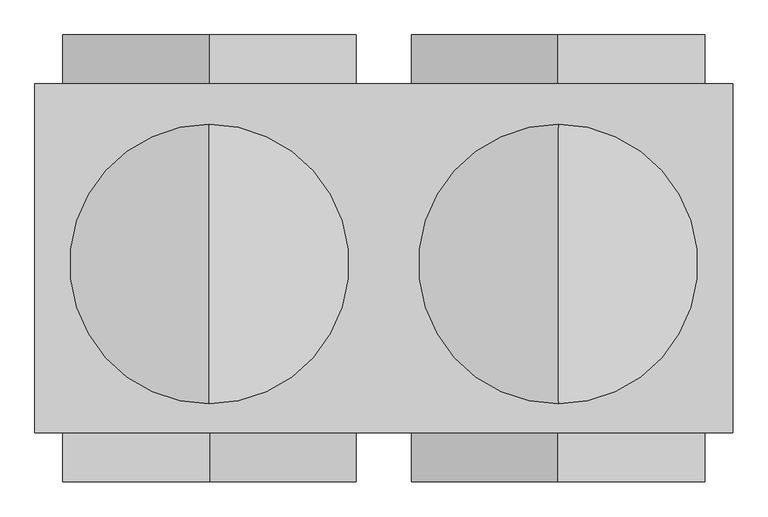
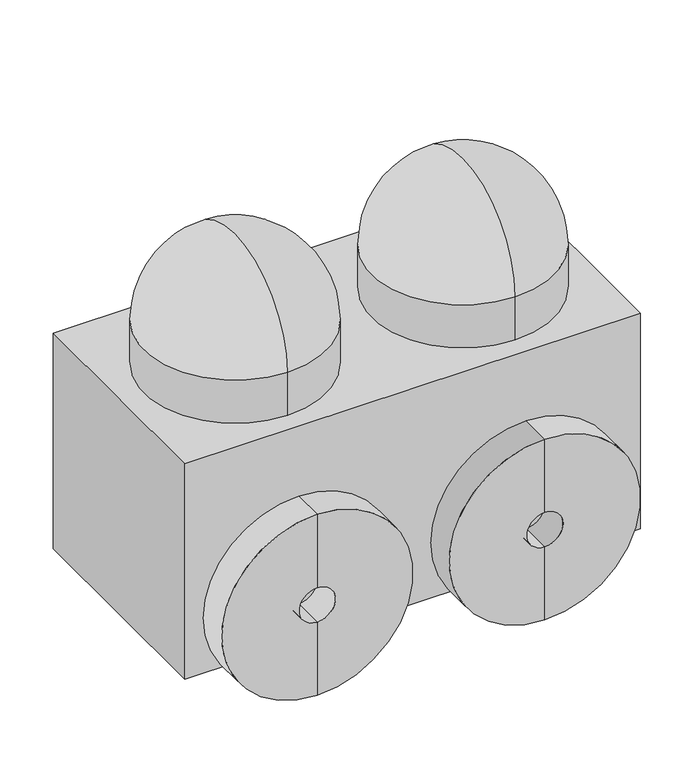
"""IFC4 building model written with IfcOpenShell, lengths in millimetres: proxy geometry."""

from ifc_helpers import new_model, si_unit, point, frame, origin, origin_with_axes, place, context, project, spatial, polyline, circle_curve, ellipse_curve, trimmed, outline, extrude, source, transform, mapped, element, save
from ifc_brep_helpers import plane_surface, cylinder_surface, revolved_surface, advanced_brep


def generic_models_6e170788(model_context):
    return source(origin(), model_context, "Body", "SolidModel", [
        advanced_brep(
        [(21499.5527586, 31000.0, -164.2719224), (21499.5527586, 31000.0, 675.7280776), (21499.5527586, 31000.0, 335.7280776), (21499.5527586, 31000.0, 175.7280776), (21499.5527586, 31140.0, -164.2719224), (21499.5527586, 31140.0, 675.7280776), (21499.5527586, 31140.0, 175.7280776), (21499.5527586, 31140.0, 335.7280776)],
        [
            (0, 1, circle_curve(frame((21499.5527586, 31000.0, 255.7280776), z_axis=(0.0, -1.0, 0.0), x_axis=(0.0, 0.0, 1.0)), 420.0)),
            (1, 2),
            (2, 3, circle_curve(frame((21499.5527586, 31000.0, 255.7280776), z_axis=(0.0, 1.0, 0.0), x_axis=(0.0, 0.0, 1.0)), 80.0)),
            (3, 0),
            (1, 0, circle_curve(frame((21499.5527586, 31000.0, 255.7280776), z_axis=(0.0, -1.0, 0.0), x_axis=(0.0, 0.0, 1.0)), 420.0)),
            (3, 2, circle_curve(frame((21499.5527586, 31000.0, 255.7280776), z_axis=(0.0, 1.0, 0.0), x_axis=(0.0, 0.0, 1.0)), 80.0)),
            (4, 5, circle_curve(frame((21499.5527586, 31140.0, 255.7280776), z_axis=(0.0, -1.0, 0.0), x_axis=(0.0, 0.0, 1.0)), 420.0)),
            (5, 1),
            (0, 4),
            (5, 4, circle_curve(frame((21499.5527586, 31140.0, 255.7280776), z_axis=(0.0, -1.0, 0.0), x_axis=(0.0, 0.0, 1.0)), 420.0)),
            (6, 7, circle_curve(frame((21499.5527586, 31140.0, 255.7280776), z_axis=(0.0, -1.0, 0.0), x_axis=(0.0, 0.0, 1.0)), 80.0)),
            (7, 5),
            (4, 6),
            (7, 6, circle_curve(frame((21499.5527586, 31140.0, 255.7280776), z_axis=(0.0, -1.0, 0.0), x_axis=(0.0, 0.0, 1.0)), 80.0)),
            (2, 7),
            (6, 3),
        ],
        [
            plane_surface(frame((21499.5527586, 31000.0, 255.7280776), z_axis=(0.0, -1.0, 0.0), x_axis=(0.0, 0.0, 1.0))),
            cylinder_surface(frame((21499.5527586, 32093.5451835, 255.7280776), z_axis=(0.0, 1.0, 0.0), x_axis=(0.0, 0.0, 1.0)), 420.0),
            plane_surface(frame((21499.5527586, 31140.0, 255.7280776), z_axis=(0.0, 1.0, 0.0), x_axis=(0.0, 0.0, 1.0))),
            revolved_surface(polyline([(21499.5527586, 31140.0, 335.7280776), (21499.5527586, 31000.0, 335.7280776)]), (21499.5527586, 32093.5451835, 255.7280776), (0.0, 1.0, 0.0)),
        ],
        [
            (0, [[1, 2, 3, 4]]),
            (0, [[5, -4, 6, -2]]),
            (1, [[7, 8, -1, 9]]),
            (1, [[10, -9, -5, -8]]),
            (2, [[11, 12, -7, 13]]),
            (2, [[14, -13, -10, -12]]),
            (3, [[-3, 15, -11, 16]]),
            (3, [[-6, -16, -14, -15]]),
        ],
    ),
        advanced_brep(
        [(20500.4472414, 31000.0, -164.2719224), (20500.4472414, 31000.0, 675.7280776), (20500.4472414, 31000.0, 335.7280776), (20500.4472414, 31000.0, 175.7280776), (20500.4472414, 31140.0, -164.2719224), (20500.4472414, 31140.0, 675.7280776), (20500.4472414, 31140.0, 175.7280776), (20500.4472414, 31140.0, 335.7280776)],
        [
            (0, 1, circle_curve(frame((20500.4472414, 31000.0, 255.7280776), z_axis=(0.0, -1.0, 0.0), x_axis=(0.0, 0.0, 1.0)), 420.0)),
            (1, 2),
            (2, 3, circle_curve(frame((20500.4472414, 31000.0, 255.7280776), z_axis=(0.0, 1.0, 0.0), x_axis=(0.0, 0.0, 1.0)), 80.0)),
            (3, 0),
            (1, 0, circle_curve(frame((20500.4472414, 31000.0, 255.7280776), z_axis=(0.0, -1.0, 0.0), x_axis=(0.0, 0.0, 1.0)), 420.0)),
            (3, 2, circle_curve(frame((20500.4472414, 31000.0, 255.7280776), z_axis=(0.0, 1.0, 0.0), x_axis=(0.0, 0.0, 1.0)), 80.0)),
            (4, 5, circle_curve(frame((20500.4472414, 31140.0, 255.7280776), z_axis=(0.0, -1.0, 0.0), x_axis=(0.0, 0.0, 1.0)), 420.0)),
            (5, 1),
            (0, 4),
            (5, 4, circle_curve(frame((20500.4472414, 31140.0, 255.7280776), z_axis=(0.0, -1.0, 0.0), x_axis=(0.0, 0.0, 1.0)), 420.0)),
            (6, 7, circle_curve(frame((20500.4472414, 31140.0, 255.7280776), z_axis=(0.0, -1.0, 0.0), x_axis=(0.0, 0.0, 1.0)), 80.0)),
            (7, 5),
            (4, 6),
            (7, 6, circle_curve(frame((20500.4472414, 31140.0, 255.7280776), z_axis=(0.0, -1.0, 0.0), x_axis=(0.0, 0.0, 1.0)), 80.0)),
            (2, 7),
            (6, 3),
        ],
        [
            plane_surface(frame((20500.4472414, 31000.0, 255.7280776), z_axis=(0.0, -1.0, 0.0), x_axis=(0.0, 0.0, 1.0))),
            cylinder_surface(frame((20500.4472414, 32093.5451835, 255.7280776), z_axis=(0.0, 1.0, 0.0), x_axis=(0.0, 0.0, 1.0)), 420.0),
            plane_surface(frame((20500.4472414, 31140.0, 255.7280776), z_axis=(0.0, 1.0, 0.0), x_axis=(0.0, 0.0, 1.0))),
            revolved_surface(polyline([(20500.4472414, 31140.0, 335.7280776), (20500.4472414, 31000.0, 335.7280776)]), (20500.4472414, 32093.5451835, 255.7280776), (0.0, 1.0, 0.0)),
        ],
        [
            (0, [[1, 2, 3, 4]]),
            (0, [[5, -4, 6, -2]]),
            (1, [[7, 8, -1, 9]]),
            (1, [[10, -9, -5, -8]]),
            (2, [[11, 12, -7, 13]]),
            (2, [[14, -13, -10, -12]]),
            (3, [[-3, 15, -11, 16]]),
            (3, [[-6, -16, -14, -15]]),
        ],
    ),
        advanced_brep(
        [(20500.0, 30483.62062, 1000.0), (20500.0, 30883.62062, 1000.0), (20500.0, 30083.62062, 1000.0), (20500.0, 30083.62062, 1200.0), (20500.0, 30883.62062, 1200.0), (20500.0, 30483.62062, 1600.0)],
        [
            (0, 1),
            (1, 2, circle_curve(frame((20500.0, 30483.62062, 1000.0), z_axis=(0.0, 0.0, -1.0), x_axis=(0.0, 1.0, 0.0)), 400.0)),
            (2, 0),
            (2, 1, circle_curve(frame((20500.0, 30483.62062, 1000.0), z_axis=(0.0, 0.0, -1.0), x_axis=(0.0, 1.0, 0.0)), 400.0)),
            (3, 4, circle_curve(frame((20500.0, 30483.62062, 1200.0), z_axis=(0.0, 0.0, 1.0), x_axis=(0.0, 1.0, 0.0)), 400.0)),
            (4, 5, circle_curve(frame((20500.0, 30483.62062, 1200.0), z_axis=(1.0, 0.0, 0.0), x_axis=(0.0, -1.0, 0.0)), 400.0)),
            (5, 3, circle_curve(frame((20500.0, 30483.62062, 1200.0), z_axis=(1.0, 0.0, 0.0), x_axis=(0.0, 1.0, 0.0)), 400.0)),
            (4, 3, circle_curve(frame((20500.0, 30483.62062, 1200.0), z_axis=(0.0, 0.0, 1.0), x_axis=(0.0, 1.0, 0.0)), 400.0)),
            (1, 4),
            (3, 2),
        ],
        [
            plane_surface(frame((20500.0, 30483.62062, 1000.0), z_axis=(0.0, 0.0, -1.0), x_axis=(0.0, 1.0, 0.0))),
            revolved_surface(trimmed(ellipse_curve(frame((20500.0, 30483.62062, 1200.0), z_axis=(-1.0, 0.0, 0.0), x_axis=(0.0, -1.0, 0.0)), 400.0, 400.0), [point((20500.0, 30483.62062, 1600.0))], [point((20500.0, 30883.62062, 1200.0))], True, "CARTESIAN"), (20500.0, 30483.62062, 1000.0), (0.0, 0.0, -1.0)),
            cylinder_surface(frame((20500.0, 30483.62062, 1000.0), z_axis=(0.0, 0.0, -1.0), x_axis=(0.0, 1.0, 0.0)), 400.0),
        ],
        [
            (0, [[1, 2, 3]]),
            (0, [[-3, 4, -1]]),
            (1, [[5, 6, 7]]),
            (1, [[8, -7, -6]]),
            (2, [[-2, 9, -5, 10]]),
            (2, [[-4, -10, -8, -9]]),
        ],
    ),
        advanced_brep(
        [(21500.0, 30483.62062, 1000.0), (21500.0, 30883.62062, 1000.0), (21500.0, 30083.62062, 1000.0), (21500.0, 30083.62062, 1200.0), (21500.0, 30883.62062, 1200.0), (21500.0, 30483.62062, 1600.0)],
        [
            (0, 1),
            (1, 2, circle_curve(frame((21500.0, 30483.62062, 1000.0), z_axis=(0.0, 0.0, -1.0), x_axis=(0.0, 1.0, 0.0)), 400.0)),
            (2, 0),
            (2, 1, circle_curve(frame((21500.0, 30483.62062, 1000.0), z_axis=(0.0, 0.0, -1.0), x_axis=(0.0, 1.0, 0.0)), 400.0)),
            (3, 4, circle_curve(frame((21500.0, 30483.62062, 1200.0), z_axis=(0.0, 0.0, 1.0), x_axis=(0.0, 1.0, 0.0)), 400.0)),
            (4, 5, circle_curve(frame((21500.0, 30483.62062, 1200.0), z_axis=(1.0, 0.0, 0.0), x_axis=(0.0, -1.0, 0.0)), 400.0)),
            (5, 3, circle_curve(frame((21500.0, 30483.62062, 1200.0), z_axis=(1.0, 0.0, 0.0), x_axis=(0.0, 1.0, 0.0)), 400.0)),
            (4, 3, circle_curve(frame((21500.0, 30483.62062, 1200.0), z_axis=(0.0, 0.0, 1.0), x_axis=(0.0, 1.0, 0.0)), 400.0)),
            (1, 4),
            (3, 2),
        ],
        [
            plane_surface(frame((21500.0, 30483.62062, 1000.0), z_axis=(0.0, 0.0, -1.0), x_axis=(0.0, 1.0, 0.0))),
            revolved_surface(trimmed(ellipse_curve(frame((21500.0, 30483.62062, 1200.0), z_axis=(-1.0, 0.0, 0.0), x_axis=(0.0, -1.0, 0.0)), 400.0, 400.0), [point((21500.0, 30483.62062, 1600.0))], [point((21500.0, 30883.62062, 1200.0))], True, "CARTESIAN"), (21500.0, 30483.62062, 1000.0), (0.0, 0.0, -1.0)),
            cylinder_surface(frame((21500.0, 30483.62062, 1000.0), z_axis=(0.0, 0.0, -1.0), x_axis=(0.0, 1.0, 0.0)), 400.0),
        ],
        [
            (0, [[1, 2, 3]]),
            (0, [[-3, 4, -1]]),
            (1, [[5, 6, 7]]),
            (1, [[8, -7, -6]]),
            (2, [[-2, 9, -5, 10]]),
            (2, [[-4, -10, -8, -9]]),
        ],
    ),
        advanced_brep(
        [(21499.5527586, 29860.0, -164.2719224), (21499.5527586, 29860.0, 675.7280776), (21499.5527586, 29860.0, 335.7280776), (21499.5527586, 29860.0, 175.7280776), (21499.5527586, 30000.0, -164.2719224), (21499.5527586, 30000.0, 675.7280776), (21499.5527586, 30000.0, 175.7280776), (21499.5527586, 30000.0, 335.7280776)],
        [
            (0, 1, circle_curve(frame((21499.5527586, 29860.0, 255.7280776), z_axis=(0.0, -1.0, 0.0), x_axis=(0.0, 0.0, 1.0)), 420.0)),
            (1, 2),
            (2, 3, circle_curve(frame((21499.5527586, 29860.0, 255.7280776), z_axis=(0.0, 1.0, 0.0), x_axis=(0.0, 0.0, 1.0)), 80.0)),
            (3, 0),
            (1, 0, circle_curve(frame((21499.5527586, 29860.0, 255.7280776), z_axis=(0.0, -1.0, 0.0), x_axis=(0.0, 0.0, 1.0)), 420.0)),
            (3, 2, circle_curve(frame((21499.5527586, 29860.0, 255.7280776), z_axis=(0.0, 1.0, 0.0), x_axis=(0.0, 0.0, 1.0)), 80.0)),
            (4, 5, circle_curve(frame((21499.5527586, 30000.0, 255.7280776), z_axis=(0.0, -1.0, 0.0), x_axis=(0.0, 0.0, 1.0)), 420.0)),
            (5, 1),
            (0, 4),
            (5, 4, circle_curve(frame((21499.5527586, 30000.0, 255.7280776), z_axis=(0.0, -1.0, 0.0), x_axis=(0.0, 0.0, 1.0)), 420.0)),
            (6, 7, circle_curve(frame((21499.5527586, 30000.0, 255.7280776), z_axis=(0.0, -1.0, 0.0), x_axis=(0.0, 0.0, 1.0)), 80.0)),
            (7, 5),
            (4, 6),
            (7, 6, circle_curve(frame((21499.5527586, 30000.0, 255.7280776), z_axis=(0.0, -1.0, 0.0), x_axis=(0.0, 0.0, 1.0)), 80.0)),
            (2, 7),
            (6, 3),
        ],
        [
            plane_surface(frame((21499.5527586, 29860.0, 255.7280776), z_axis=(0.0, -1.0, 0.0), x_axis=(0.0, 0.0, 1.0))),
            cylinder_surface(frame((21499.5527586, 30953.5451835, 255.7280776), z_axis=(0.0, 1.0, 0.0), x_axis=(0.0, 0.0, 1.0)), 420.0),
            plane_surface(frame((21499.5527586, 30000.0, 255.7280776), z_axis=(0.0, 1.0, 0.0), x_axis=(0.0, 0.0, 1.0))),
            revolved_surface(polyline([(21499.5527586, 30000.0, 335.7280776), (21499.5527586, 29860.0, 335.7280776)]), (21499.5527586, 30953.5451835, 255.7280776), (0.0, 1.0, 0.0)),
        ],
        [
            (0, [[1, 2, 3, 4]]),
            (0, [[5, -4, 6, -2]]),
            (1, [[7, 8, -1, 9]]),
            (1, [[10, -9, -5, -8]]),
            (2, [[11, 12, -7, 13]]),
            (2, [[14, -13, -10, -12]]),
            (3, [[-3, 15, -11, 16]]),
            (3, [[-6, -16, -14, -15]]),
        ],
    ),
        advanced_brep(
        [(20500.4472414, 29860.0, 175.7280776), (20500.4472414, 29860.0, 335.7280776), (20500.4472414, 29860.0, 675.7280776), (20500.4472414, 29860.0, -164.2719224), (20500.4472414, 30000.0, 675.7280776), (20500.4472414, 30000.0, -164.2719224), (20500.4472414, 30000.0, 335.7280776), (20500.4472414, 30000.0, 175.7280776)],
        [
            (0, 1, circle_curve(frame((20500.4472414, 29860.0, 255.7280776), z_axis=(0.0, 1.0, 0.0), x_axis=(0.0, 0.0, 1.0)), 80.0)),
            (1, 2),
            (2, 3, circle_curve(frame((20500.4472414, 29860.0, 255.7280776), z_axis=(0.0, -1.0, 0.0), x_axis=(0.0, 0.0, 1.0)), 420.0)),
            (3, 0),
            (1, 0, circle_curve(frame((20500.4472414, 29860.0, 255.7280776), z_axis=(0.0, 1.0, 0.0), x_axis=(0.0, 0.0, 1.0)), 80.0)),
            (3, 2, circle_curve(frame((20500.4472414, 29860.0, 255.7280776), z_axis=(0.0, -1.0, 0.0), x_axis=(0.0, 0.0, 1.0)), 420.0)),
            (2, 4),
            (4, 5, circle_curve(frame((20500.4472414, 30000.0, 255.7280776), z_axis=(0.0, -1.0, 0.0), x_axis=(0.0, 0.0, 1.0)), 420.0)),
            (5, 3),
            (5, 4, circle_curve(frame((20500.4472414, 30000.0, 255.7280776), z_axis=(0.0, -1.0, 0.0), x_axis=(0.0, 0.0, 1.0)), 420.0)),
            (4, 6),
            (6, 7, circle_curve(frame((20500.4472414, 30000.0, 255.7280776), z_axis=(0.0, -1.0, 0.0), x_axis=(0.0, 0.0, 1.0)), 80.0)),
            (7, 5),
            (7, 6, circle_curve(frame((20500.4472414, 30000.0, 255.7280776), z_axis=(0.0, -1.0, 0.0), x_axis=(0.0, 0.0, 1.0)), 80.0)),
            (6, 1),
            (0, 7),
        ],
        [
            plane_surface(frame((20500.4472414, 29860.0, 255.7280776), z_axis=(0.0, -1.0, 0.0), x_axis=(0.0, 0.0, 1.0))),
            cylinder_surface(frame((20500.4472414, 30953.5451835, 255.7280776), z_axis=(0.0, -1.0, 0.0), x_axis=(0.0, 0.0, 1.0)), 420.0),
            plane_surface(frame((20500.4472414, 30000.0, 255.7280776), z_axis=(0.0, 1.0, 0.0), x_axis=(0.0, 0.0, 1.0))),
            revolved_surface(polyline([(20500.4472414, 29860.0, 335.7280776), (20500.4472414, 30000.0, 335.7280776)]), (20500.4472414, 30953.5451835, 255.7280776), (0.0, -1.0, 0.0)),
        ],
        [
            (0, [[1, 2, 3, 4]]),
            (0, [[5, -4, 6, -2]]),
            (1, [[-3, 7, 8, 9]]),
            (1, [[-6, -9, 10, -7]]),
            (2, [[-8, 11, 12, 13]]),
            (2, [[-10, -13, 14, -11]]),
            (3, [[-12, 15, -1, 16]]),
            (3, [[-14, -16, -5, -15]]),
        ],
    ),
        extrude(outline(polyline([(22000.0, 30000.0), (20000.0, 30000.0), (20000.0, 31000.0), (22000.0, 31000.0), (22000.0, 30000.0)])), origin_with_axes(), (0.0, 0.0, 1.0), 1000.0),
    ])


if __name__ == "__main__":
    model = new_model("IFC4")
    model_context = context("Model", 3, world=origin())
    ifc_project = project(units=[si_unit("LENGTHUNIT", "METRE", prefix="MILLI")], contexts=[model_context])
    site = spatial("IfcSite", under=ifc_project)
    building = spatial("IfcBuilding", under=site)
    placement = place(None, origin())
    generic_models_shape = generic_models_6e170788(model_context)
    element("IfcBuildingElementProxy", 1, Name="Generic Models", at=placement, inside=building, context=model_context, shape_type="MappedRepresentation", body=[
        mapped(generic_models_shape, transform((0.0, 0.0, 0.0), x_axis=(1.0, 0.0, 0.0), y_axis=(0.0, 1.0, 0.0), z_axis=(0.0, 0.0, 1.0))),
    ])
    save(model, "model.ifc")
